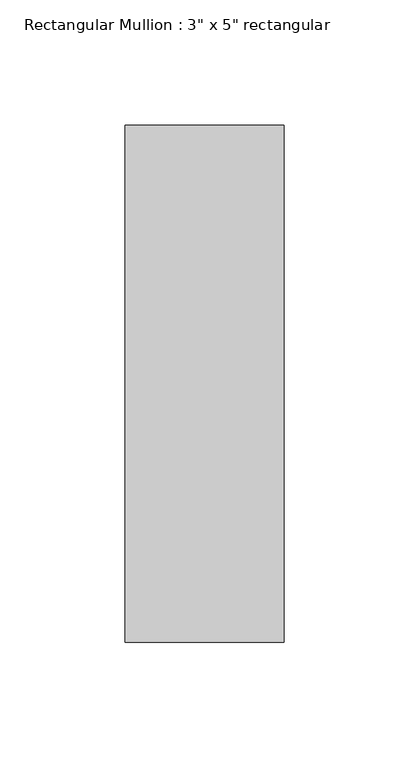
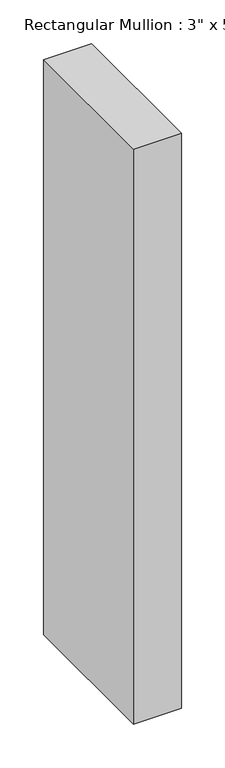
"""IFC4 building model written with IfcOpenShell, lengths in millimetres: member geometry."""

from ifc_helpers import new_model, si_unit, frame, origin, place, context, project, spatial, polyline, outline, extrude, source, transform, mapped, element, save


def member_cbd5d8f4(model_context):
    return source(origin(), model_context, "Body", "SweptSolid", [
        extrude(outline(polyline([(31.75, 90.551), (31.75, -115.951), (-31.75, -115.951), (-31.75, 90.551), (31.75, 90.551)])), frame((0.0, 0.0, -804.4503427), z_axis=(0.0, 0.0, 1.0), x_axis=(1.0, 0.0, 0.0)), (0.0, 0.0, 1.0), 804.4503427),
    ])


if __name__ == "__main__":
    model = new_model("IFC4")
    model_context = context("Model", 3, world=origin())
    ifc_project = project(units=[si_unit("LENGTHUNIT", "METRE", prefix="MILLI")], contexts=[model_context])
    site = spatial("IfcSite", under=ifc_project)
    building = spatial("IfcBuilding", under=site)
    placement = place(None, origin())
    member_shape = member_cbd5d8f4(model_context)
    element("IfcMember", 1, ObjectType="Rectangular Mullion : 3\" x 5\" rectangular", at=placement, inside=building, context=model_context, shape_type="MappedRepresentation", body=[
        mapped(member_shape, transform((0.0, 0.0, 0.0), x_axis=(1.0, 0.0, 0.0), y_axis=(0.0, 1.0, 0.0), z_axis=(0.0, 0.0, 1.0))),
    ])
    save(model, "model.ifc")
